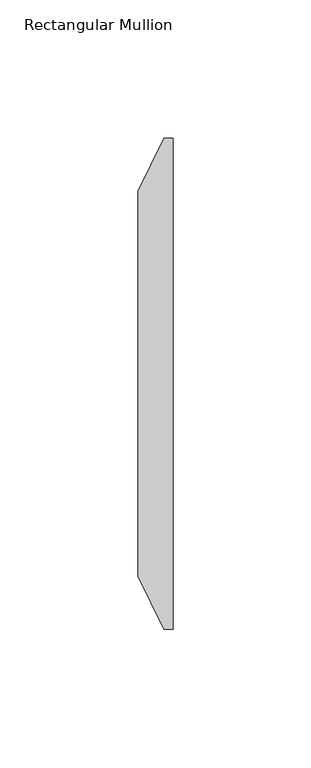
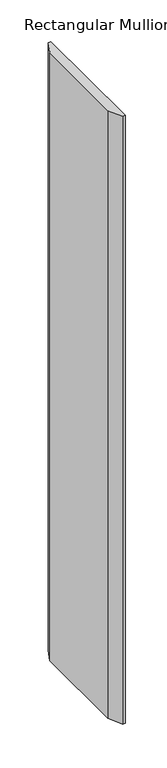
"""IFC4 building model written with IfcOpenShell, lengths in millimetres: member geometry, Rectangular Mullion."""

from ifc_helpers import new_model, si_unit, frame, origin, place, context, project, spatial, polyline, outline, extrude, source, transform, mapped, element, save


def rectangular_mullion_12747c7f(model_context):
    return source(origin(), model_context, "Body", "SweptSolid", [
        extrude(outline(polyline([(-12.7, 12.5664634), (-3.3435407, 31.75), (0.0, 31.75), (0.0, -146.05), (-3.3435407, -146.05), (-12.7, -126.8664634), (-12.7, 12.5664634)])), frame((0.0, 0.0, -889.0), z_axis=(0.0, 0.0, 1.0), x_axis=(1.0, 0.0, 0.0)), (0.0, 0.0, 1.0), 889.0),
    ])


if __name__ == "__main__":
    model = new_model("IFC4")
    model_context = context("Model", 3, world=origin())
    ifc_project = project(units=[si_unit("LENGTHUNIT", "METRE", prefix="MILLI")], contexts=[model_context])
    site = spatial("IfcSite", under=ifc_project)
    building = spatial("IfcBuilding", under=site)
    placement = place(None, origin())
    rectangular_mullion_shape = rectangular_mullion_12747c7f(model_context)
    element("IfcMember", 1, ObjectType="Rectangular Mullion", at=placement, inside=building, context=model_context, shape_type="MappedRepresentation", body=[
        mapped(rectangular_mullion_shape, transform((0.0, 0.0, 0.0), x_axis=(1.0, 0.0, 0.0), y_axis=(0.0, 1.0, 0.0), z_axis=(0.0, 0.0, 1.0))),
    ])
    save(model, "model.ifc")
